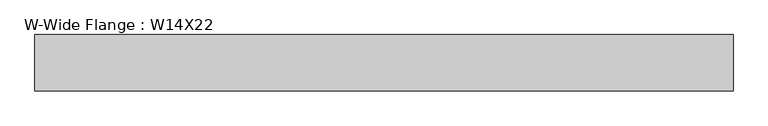
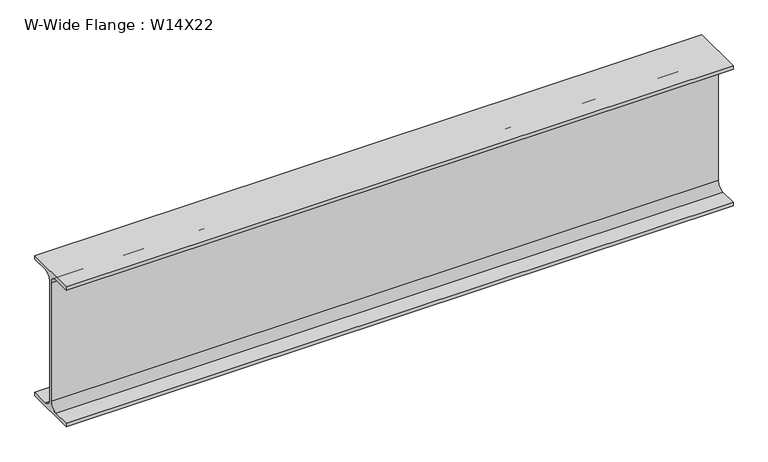
"""IFC4 building model written with IfcOpenShell, lengths in millimetres: beam geometry, W-Wide Flange : W14X22."""

from ifc_helpers import new_model, si_unit, point, frame, frame_2d, origin, place, context, project, spatial, polyline, circle_curve, trimmed, segment, composite_curve, outline, extrude, source, transform, mapped, element, save


def w_wide_flange_w14x22_56edd85f(model_context):
    return source(origin(), model_context, "Body", "SweptSolid", [
        extrude(outline(composite_curve([segment(polyline([(63.5, -165.4472656), (63.5, -173.9800781), (-63.5, -173.9800781), (-63.5, -165.4472656), (-21.3816406, -165.4472656)]), True, "CONTINUOUS"), segment(trimmed(circle_curve(frame_2d((-21.3816406, -146.9925781)), 18.4546875), [point((-21.3816406, -165.4472656))], [point((-2.9269531, -146.9925781))], True, "CARTESIAN"), True, "CONTINUOUS"), segment(polyline([(-2.9269531, -146.9925781), (-2.9269531, 146.9925781)]), True, "CONTINUOUS"), segment(trimmed(circle_curve(frame_2d((-21.3816406, 146.9925781)), 18.4546875), [point((-2.9269531, 146.9925781))], [point((-21.3816406, 165.4472656))], True, "CARTESIAN"), True, "CONTINUOUS"), segment(polyline([(-21.3816406, 165.4472656), (-63.5, 165.4472656), (-63.5, 173.9800781), (63.5, 173.9800781), (63.5, 165.4472656), (21.3816406, 165.4472656)]), True, "CONTINUOUS"), segment(trimmed(circle_curve(frame_2d((21.3816406, 146.9925781)), 18.4546875), [point((21.3816406, 165.4472656))], [point((2.9269531, 146.9925781))], True, "CARTESIAN"), True, "CONTINUOUS"), segment(polyline([(2.9269531, 146.9925781), (2.9269531, -146.9925781)]), True, "CONTINUOUS"), segment(trimmed(circle_curve(frame_2d((21.3816406, -146.9925781)), 18.4546875), [point((2.9269531, -146.9925781))], [point((21.3816406, -165.4472656))], True, "CARTESIAN"), True, "CONTINUOUS"), segment(polyline([(21.3816406, -165.4472656), (63.5, -165.4472656)]), True, "CONTINUOUS")], self_intersect=False)), frame((-774.7, 0.0, 0.0), z_axis=(1.0, 0.0, 0.0), x_axis=(0.0, 1.0, 0.0)), (0.0, 0.0, 1.0), 1568.45),
    ])


if __name__ == "__main__":
    model = new_model("IFC4")
    model_context = context("Model", 3, world=origin())
    ifc_project = project(units=[si_unit("LENGTHUNIT", "METRE", prefix="MILLI")], contexts=[model_context])
    site = spatial("IfcSite", under=ifc_project)
    building = spatial("IfcBuilding", under=site)
    placement = place(None, origin())
    w_wide_flange_w14x22_shape = w_wide_flange_w14x22_56edd85f(model_context)
    element("IfcBeam", 1, ObjectType="W-Wide Flange : W14X22", at=placement, inside=building, context=model_context, shape_type="MappedRepresentation", body=[
        mapped(w_wide_flange_w14x22_shape, transform((0.0, 0.0, 0.0), x_axis=(1.0, 0.0, 0.0), y_axis=(0.0, 1.0, 0.0), z_axis=(0.0, 0.0, 1.0))),
    ])
    save(model, "model.ifc")
